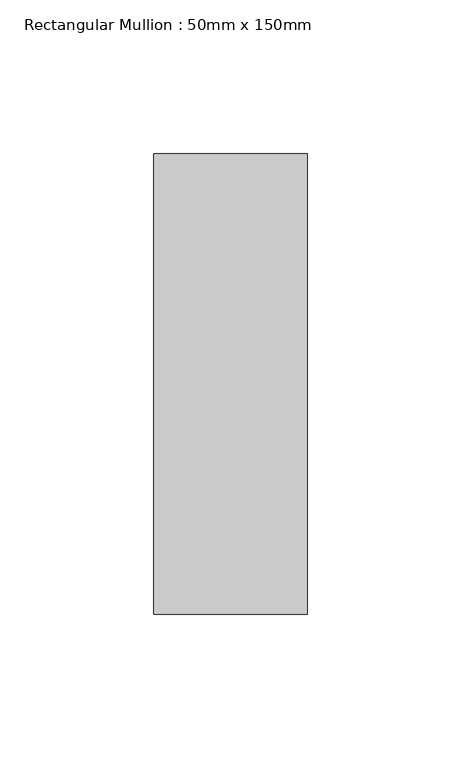
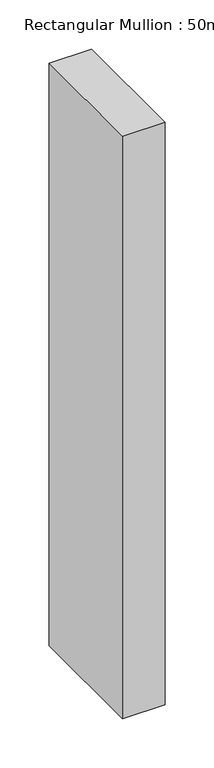
"""IFC4 building model written with IfcOpenShell, lengths in millimetres: member geometry, Rectangular Mullion : 50mm x 150mm."""

import ifcopenshell
import ifcopenshell.guid

model = None  # the IFC model being written
_history = None  # IfcOwnerHistory: only IFC2X3 demands one
_inside = {}  # id of a spatial element -> (the spatial element, [elements in it])
_under = {}  # id of a project, library or spatial element -> (it, [spatial elements below it])
_declared = {}  # id of a project -> (the project, [libraries it declares])
_typed = {}  # id of a type object -> (the type object, [elements of that type])
_made_of = {}  # id of a material, layer set ... -> (it, [elements and type objects made of it])


def new_model(schema):
    """Start an empty IFC model of exactly this schema.

    Asked for "IFC4X3", IfcOpenShell would pick the latest addendum, in which some entities
    have other attributes; the version numbers below select the first issue.
    IFC2X3 requires an IfcOwnerHistory on every rooted entity: one is made here for all.
    """
    global model, _history
    if schema == "IFC4X3":
        model = ifcopenshell.file(schema_version=(4, 3, 0, 0))
    else:
        model = ifcopenshell.file(schema=schema)
    _inside.clear()
    _under.clear()
    _declared.clear()
    _typed.clear()
    _made_of.clear()
    _history = None
    if model.schema == "IFC2X3":
        org = make("IfcOrganization", Name="unknown")
        user = make(
            "IfcPersonAndOrganization",
            ThePerson=make("IfcPerson", FamilyName="unknown"),
            TheOrganization=org,
        )
        app = make(
            "IfcApplication",
            ApplicationDeveloper=org,
            Version="unknown",
            ApplicationFullName="unknown",
            ApplicationIdentifier="unknown",
        )
        _history = make(
            "IfcOwnerHistory",
            OwningUser=user,
            OwningApplication=app,
            ChangeAction="ADDED",
            CreationDate=0,
        )
    return model


def make(cls, **values):
    """One entity of the class cls with the attributes given. An attribute that is None is left unset."""
    return model.create_entity(
        cls, **{name: value for name, value in values.items() if value is not None}
    )


def rooted(cls, **values):
    """An entity with a GlobalId (a new one), such as an element, a storey or a relation."""
    return make(cls, GlobalId=ifcopenshell.guid.new(), OwnerHistory=_history, **values)


def si_unit(unit_type, name, prefix=None):
    """IfcSIUnit, for example si_unit("LENGTHUNIT", "METRE", prefix="MILLI")."""
    return make("IfcSIUnit", UnitType=unit_type, Prefix=prefix, Name=name)


def assignment(units):
    """IfcUnitAssignment: the units of a project."""
    return None if units is None else make("IfcUnitAssignment", Units=units)


def point(xyz):
    """IfcCartesianPoint."""
    return None if xyz is None else make("IfcCartesianPoint", Coordinates=xyz)


def direction(xyz):
    """IfcDirection."""
    return None if xyz is None else make("IfcDirection", DirectionRatios=xyz)


def frame(location, z_axis=None, x_axis=None):
    """IfcAxis2Placement3D, a coordinate frame: its origin and axes. An axis left out is left unset."""
    return make(
        "IfcAxis2Placement3D",
        Location=point(location),
        Axis=direction(z_axis),
        RefDirection=direction(x_axis),
    )


def origin():
    """The frame at (0, 0, 0) with its axes left unset."""
    return frame((0.0, 0.0, 0.0))


def place(relative_to, where):
    """IfcLocalPlacement: puts the frame where relative to a parent placement (None: the world)."""
    return make(
        "IfcLocalPlacement", PlacementRelTo=relative_to, RelativePlacement=where
    )


def context(
    kind, dimensions, precision=None, world=None, true_north=None, identifier=None
):
    """IfcGeometricRepresentationContext, for example the 3D "Model" context."""
    return make(
        "IfcGeometricRepresentationContext",
        ContextIdentifier=identifier,
        ContextType=kind,
        CoordinateSpaceDimension=dimensions,
        Precision=precision,
        WorldCoordinateSystem=world,
        TrueNorth=true_north,
    )


def project(units=None, contexts=None):
    """IfcProject with its units and contexts."""
    return rooted(
        "IfcProject",
        Name="project",
        RepresentationContexts=contexts,
        UnitsInContext=assignment(units),
    )


def spatial(cls, under=None, at=None, **own):
    """A site, building, storey or space (cls), placed at a placement, below another one or the project."""
    s = rooted(cls, ObjectPlacement=at, **own)
    if under is not None:
        _under.setdefault(under.id(), (under, []))[1].append(s)
    return s


def polyline(points):
    """IfcPolyline through the points."""
    return make("IfcPolyline", Points=[point(p) for p in points])


def outline(outer, holes=None, kind="AREA"):
    """IfcArbitraryClosedProfileDef: a profile drawn as a closed curve; with holes, ...WithVoids."""
    if holes is None:
        return make("IfcArbitraryClosedProfileDef", ProfileType=kind, OuterCurve=outer)
    return make(
        "IfcArbitraryProfileDefWithVoids",
        ProfileType=kind,
        OuterCurve=outer,
        InnerCurves=holes,
    )


def extrude(swept, where, along, depth):
    """IfcExtrudedAreaSolid: the profile swept, set in the frame where, extruded along a direction by depth."""
    return make(
        "IfcExtrudedAreaSolid",
        SweptArea=swept,
        Position=where,
        ExtrudedDirection=direction(along),
        Depth=depth,
    )


def shape(context_of_items, identifier, shape_type, items):
    """IfcShapeRepresentation: the items that make up one representation, for example the "Body"."""
    return make(
        "IfcShapeRepresentation",
        ContextOfItems=context_of_items,
        RepresentationIdentifier=identifier,
        RepresentationType=shape_type,
        Items=items,
    )


def source(mapping_origin, context_of_items, identifier, shape_type, items):
    """IfcRepresentationMap: a shape defined once, which mapped items show again and again."""
    return make(
        "IfcRepresentationMap",
        MappingOrigin=mapping_origin,
        MappedRepresentation=shape(context_of_items, identifier, shape_type, items),
    )


def transform(
    local_origin,
    x_axis=None,
    y_axis=None,
    z_axis=None,
    scale=None,
    scale2=None,
    scale3=None,
    uniform=True,
):
    """IfcCartesianTransformationOperator3D, or its non-uniform kind. x_axis, y_axis, z_axis: its Axis1, 2, 3."""
    if uniform:
        return make(
            "IfcCartesianTransformationOperator3D",
            Axis1=direction(x_axis),
            Axis2=direction(y_axis),
            LocalOrigin=point(local_origin),
            Scale=scale,
            Axis3=direction(z_axis),
        )
    return make(
        "IfcCartesianTransformationOperator3DnonUniform",
        Axis1=direction(x_axis),
        Axis2=direction(y_axis),
        LocalOrigin=point(local_origin),
        Scale=scale,
        Axis3=direction(z_axis),
        Scale2=scale2,
        Scale3=scale3,
    )


def mapped(mapping_source, mapping_target):
    """IfcMappedItem: shows the shape of a source again, moved by a transform."""
    return make(
        "IfcMappedItem", MappingSource=mapping_source, MappingTarget=mapping_target
    )


def made_of(thing, what):
    """Note that an element or type object is made of a material, layer set ...; save() writes the relation."""
    if what is not None:
        _made_of.setdefault(what.id(), (what, []))[1].append(thing)
    return thing


def element(
    cls,
    number,
    at=None,
    inside=None,
    cuts=None,
    type_object=None,
    material=None,
    context=None,
    identifier="Body",
    shape_type=None,
    held_by="IfcProductDefinitionShape",
    body=None,
    shapes=None,
    **own,
):
    """One element of the class cls, such as IfcWall. Its Tag is "e" and its number.

    at: its placement. inside: the storey or other place that contains it. cuts: it is an
    opening in that element (IfcRelVoidsElement). A single representation is given by context,
    identifier, shape_type and body (its items); several are given by shapes. held_by: the class
    of the entity that holds the representations. save() writes the other relations.
    """
    e = rooted(cls, Tag="e%d" % number, ObjectPlacement=at, **own)
    if body is not None:
        shapes = [shape(context, identifier, shape_type, body)]
    if shapes is not None:
        e.Representation = make(held_by, Representations=shapes)
    if inside is not None:
        _inside.setdefault(inside.id(), (inside, []))[1].append(e)
    if cuts is not None:
        rooted(
            "IfcRelVoidsElement", RelatingBuildingElement=cuts, RelatedOpeningElement=e
        )
    if type_object is not None:
        _typed.setdefault(type_object.id(), (type_object, []))[1].append(e)
    return made_of(e, material)


def aggregate(whole, parts):
    """IfcRelAggregates: a whole, such as a stair, and the parts it consists of."""
    return rooted("IfcRelAggregates", RelatingObject=whole, RelatedObjects=parts)


def save(model, path):
    """Write the relations noted so far, then the file.

    IfcRelAggregates (storeys below a building ...), IfcRelContainedInSpatialStructure (elements
    in a storey), IfcRelDefinesByType, IfcRelAssociatesMaterial and IfcRelDeclares: one each for
    every whole, place, type object, material and project.
    """
    for whole, parts in _under.values():
        aggregate(whole, parts)
    for where, things in _inside.values():
        rooted(
            "IfcRelContainedInSpatialStructure",
            RelatedElements=things,
            RelatingStructure=where,
        )
    for kind, things in _typed.values():
        rooted("IfcRelDefinesByType", RelatedObjects=things, RelatingType=kind)
    for what, things in _made_of.values():
        rooted("IfcRelAssociatesMaterial", RelatedObjects=things, RelatingMaterial=what)
    for by, libraries in _declared.values():
        rooted("IfcRelDeclares", RelatingContext=by, RelatedDefinitions=libraries)
    model.write(path)


def rectangular_mullion_50mm_x_150mm_c1e6eeca(model_context):
    return source(origin(), model_context, "Body", "SweptSolid", [
        extrude(outline(polyline([(0.0, 75.0), (0.0, -75.0), (-50.0, -75.0), (-50.0, 75.0), (0.0, 75.0)])), frame((0.0, 0.0, -724.9752054), z_axis=(0.0, 0.0, 1.0), x_axis=(1.0, 0.0, 0.0)), (0.0, 0.0, 1.0), 724.9752054),
    ])


if __name__ == "__main__":
    model = new_model("IFC4")
    model_context = context("Model", 3, world=origin())
    ifc_project = project(units=[si_unit("LENGTHUNIT", "METRE", prefix="MILLI")], contexts=[model_context])
    site = spatial("IfcSite", under=ifc_project)
    building = spatial("IfcBuilding", under=site)
    placement = place(None, origin())
    rectangular_mullion_50mm_x_150mm_shape = rectangular_mullion_50mm_x_150mm_c1e6eeca(model_context)
    element("IfcMember", 1, ObjectType="Rectangular Mullion : 50mm x 150mm", at=placement, inside=building, context=model_context, shape_type="MappedRepresentation", body=[
        mapped(rectangular_mullion_50mm_x_150mm_shape, transform((0.0, 0.0, 0.0), x_axis=(1.0, 0.0, 0.0), y_axis=(0.0, 1.0, 0.0), z_axis=(0.0, 0.0, 1.0))),
    ])
    save(model, "model.ifc")
